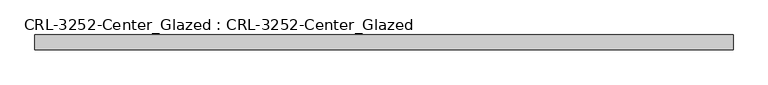
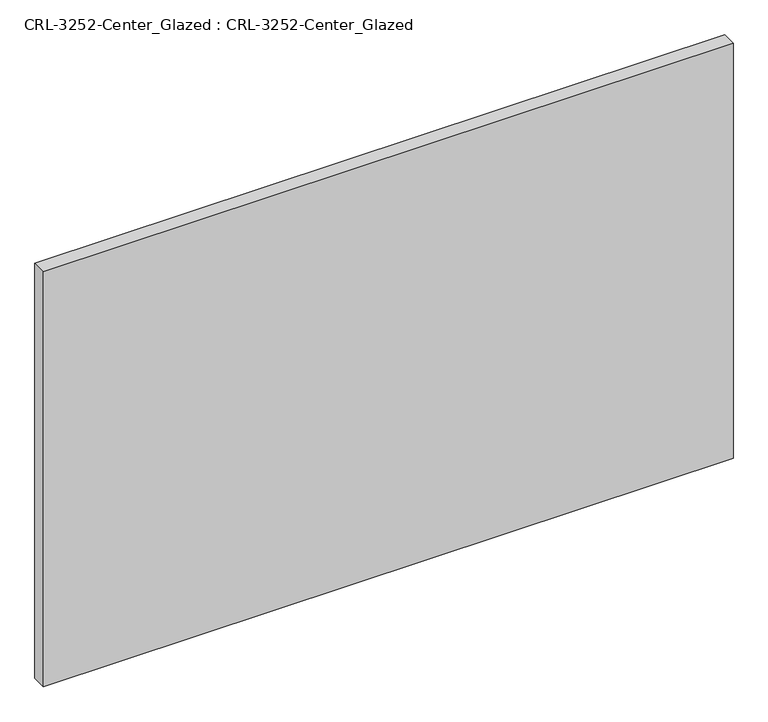
"""IFC4 building model written with IfcOpenShell, lengths in millimetres: plate geometry, CRL-3252-Center_Glazed : CRL-3252-Center_Glazed."""

from ifc_helpers import new_model, si_unit, origin, origin_with_axes, place, context, project, spatial, polyline, outline, extrude, source, transform, mapped, element, save


def crl_3252_center_glazed_crl_3252_center_glazed_eb17ba14(model_context):
    return source(origin(), model_context, "Body", "SweptSolid", [
        extrude(outline(polyline([(600.0665461, 12.7), (600.0665461, -12.7), (-600.0665461, -12.7), (-600.0665461, 12.7), (600.0665461, 12.7)])), origin_with_axes(), (0.0, 0.0, 1.0), 763.2431361),
    ])


if __name__ == "__main__":
    model = new_model("IFC4")
    model_context = context("Model", 3, world=origin())
    ifc_project = project(units=[si_unit("LENGTHUNIT", "METRE", prefix="MILLI")], contexts=[model_context])
    site = spatial("IfcSite", under=ifc_project)
    building = spatial("IfcBuilding", under=site)
    placement = place(None, origin())
    crl_3252_center_glazed_crl_3252_center_glazed_shape = crl_3252_center_glazed_crl_3252_center_glazed_eb17ba14(model_context)
    element("IfcPlate", 1, ObjectType="CRL-3252-Center_Glazed : CRL-3252-Center_Glazed", at=placement, inside=building, context=model_context, shape_type="MappedRepresentation", body=[
        mapped(crl_3252_center_glazed_crl_3252_center_glazed_shape, transform((0.0, 0.0, 0.0), x_axis=(1.0, 0.0, 0.0), y_axis=(0.0, 1.0, 0.0), z_axis=(0.0, 0.0, 1.0))),
    ])
    save(model, "model.ifc")
